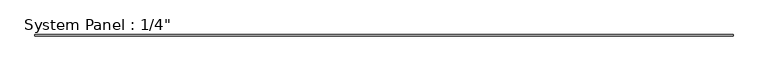
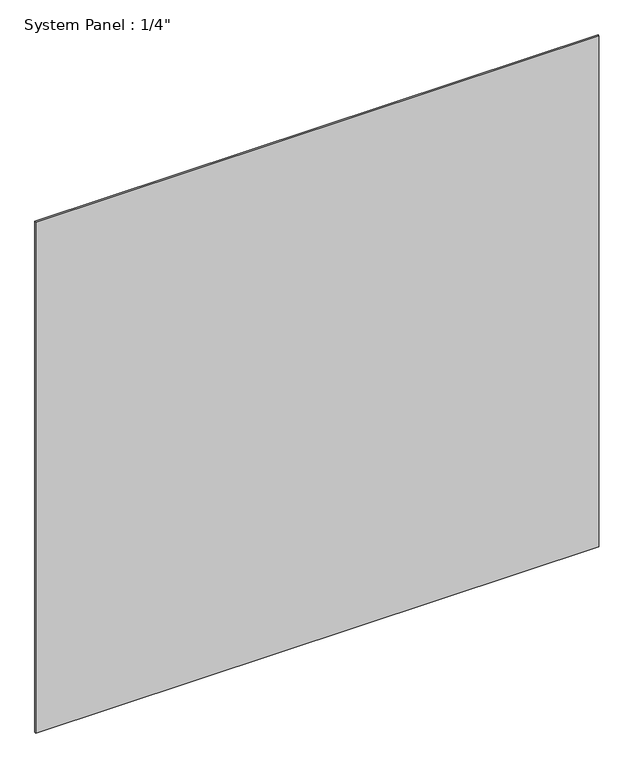
"""IFC4 building model written with IfcOpenShell, lengths in millimetres: plate geometry."""

from ifc_helpers import new_model, si_unit, origin, origin_with_axes, place, context, project, spatial, polyline, outline, extrude, source, transform, mapped, element, save


def plate_5b90115f(model_context):
    return source(origin(), model_context, "Body", "SweptSolid", [
        extrude(outline(polyline([(1588.8921907, 12.7), (-1588.8921907, 12.7), (-1588.8921907, 19.05), (1588.8921907, 19.05), (1588.8921907, 12.7)])), origin_with_axes(), (0.0, 0.0, 1.0), 3048.0),
    ])


if __name__ == "__main__":
    model = new_model("IFC4")
    model_context = context("Model", 3, world=origin())
    ifc_project = project(units=[si_unit("LENGTHUNIT", "METRE", prefix="MILLI")], contexts=[model_context])
    site = spatial("IfcSite", under=ifc_project)
    building = spatial("IfcBuilding", under=site)
    placement = place(None, origin())
    plate_shape = plate_5b90115f(model_context)
    element("IfcPlate", 1, ObjectType="System Panel : 1/4\"", at=placement, inside=building, context=model_context, shape_type="MappedRepresentation", body=[
        mapped(plate_shape, transform((0.0, 0.0, 0.0), x_axis=(1.0, 0.0, 0.0), y_axis=(0.0, 1.0, 0.0), z_axis=(0.0, 0.0, 1.0))),
    ])
    save(model, "model.ifc")
